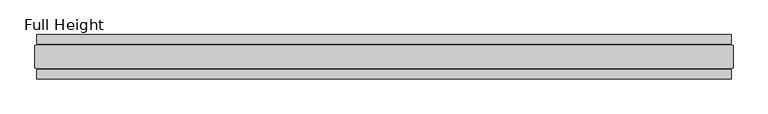
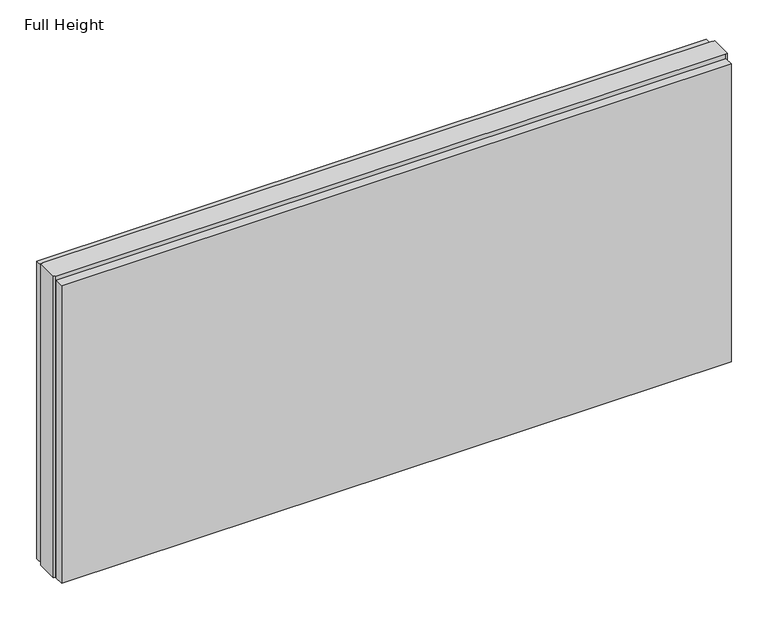
"""IFC4 building model written with IfcOpenShell, lengths in millimetres: plate geometry, Full Height."""

from ifc_helpers import new_model, si_unit, origin, origin_with_axes, place, context, project, spatial, polyline, outline, extrude, source, transform, mapped, element, save


def full_height_fd41e53e(model_context):
    return source(origin(), model_context, "Body", "SweptSolid", [
        extrude(outline(polyline([(776.478, 28.956), (-776.478, 28.956), (-776.478, 49.53), (776.478, 49.53), (776.478, 28.956)])), origin_with_axes(), (0.0, 0.0, 1.0), 729.996),
        extrude(outline(polyline([(776.478, -28.956), (776.478, -49.53), (-776.478, -49.53), (-776.478, -28.956), (776.478, -28.956)])), origin_with_axes(), (0.0, 0.0, 1.0), 729.996),
        extrude(outline(polyline([(776.478, -25.146), (776.478, -26.67), (-776.478, -26.67), (-776.478, -25.146), (-781.05, -25.146), (-781.05, 25.146), (-776.478, 25.146), (-776.478, 26.67), (776.478, 26.67), (776.478, 25.146), (781.05, 25.146), (781.05, -25.146), (776.478, -25.146)])), origin_with_axes(), (0.0, 0.0, 1.0), 739.14),
    ])


if __name__ == "__main__":
    model = new_model("IFC4")
    model_context = context("Model", 3, world=origin())
    ifc_project = project(units=[si_unit("LENGTHUNIT", "METRE", prefix="MILLI")], contexts=[model_context])
    site = spatial("IfcSite", under=ifc_project)
    building = spatial("IfcBuilding", under=site)
    placement = place(None, origin())
    full_height_shape = full_height_fd41e53e(model_context)
    element("IfcPlate", 1, ObjectType="Full Height", at=placement, inside=building, context=model_context, shape_type="MappedRepresentation", body=[
        mapped(full_height_shape, transform((0.0, 0.0, 0.0), x_axis=(1.0, 0.0, 0.0), y_axis=(0.0, 1.0, 0.0), z_axis=(0.0, 0.0, 1.0))),
    ])
    save(model, "model.ifc")
